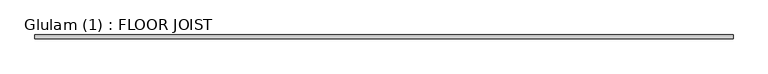
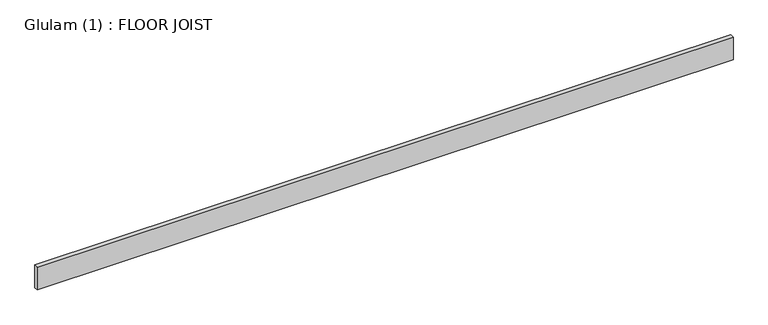
"""IFC4 building model written with IfcOpenShell, lengths in millimetres: beam geometry, Glulam (1) : FLOOR JOIST."""

from ifc_helpers import new_model, si_unit, frame, origin, place, context, project, spatial, polyline, outline, extrude, source, transform, mapped, element, save


def glulam_1_floor_joist_24e3efc8(model_context):
    return source(origin(), model_context, "Body", "SweptSolid", [
        extrude(outline(polyline([(4191.0, 22.5), (4191.0, -22.5), (-4191.0000907, -22.5), (-4191.0000907, 22.5), (4191.0, 22.5)])), frame((0.0, 0.0, -145.0), z_axis=(0.0, 0.0, 1.0), x_axis=(1.0, 0.0, 0.0)), (0.0, 0.0, 1.0), 290.0),
    ])


if __name__ == "__main__":
    model = new_model("IFC4")
    model_context = context("Model", 3, world=origin())
    ifc_project = project(units=[si_unit("LENGTHUNIT", "METRE", prefix="MILLI")], contexts=[model_context])
    site = spatial("IfcSite", under=ifc_project)
    building = spatial("IfcBuilding", under=site)
    placement = place(None, origin())
    glulam_1_floor_joist_shape = glulam_1_floor_joist_24e3efc8(model_context)
    element("IfcBeam", 1, ObjectType="Glulam (1) : FLOOR JOIST", at=placement, inside=building, context=model_context, shape_type="MappedRepresentation", body=[
        mapped(glulam_1_floor_joist_shape, transform((0.0, 0.0, 0.0), x_axis=(1.0, 0.0, 0.0), y_axis=(0.0, 1.0, 0.0), z_axis=(0.0, 0.0, 1.0))),
    ])
    save(model, "model.ifc")
